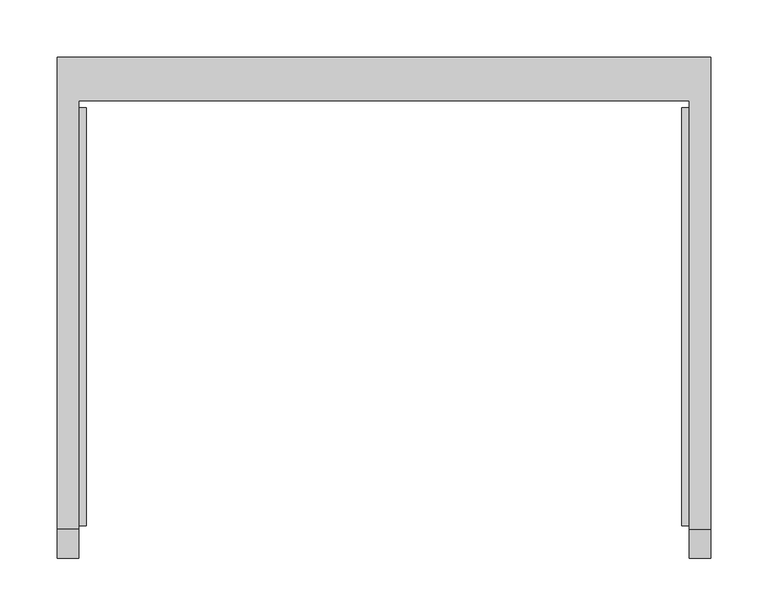
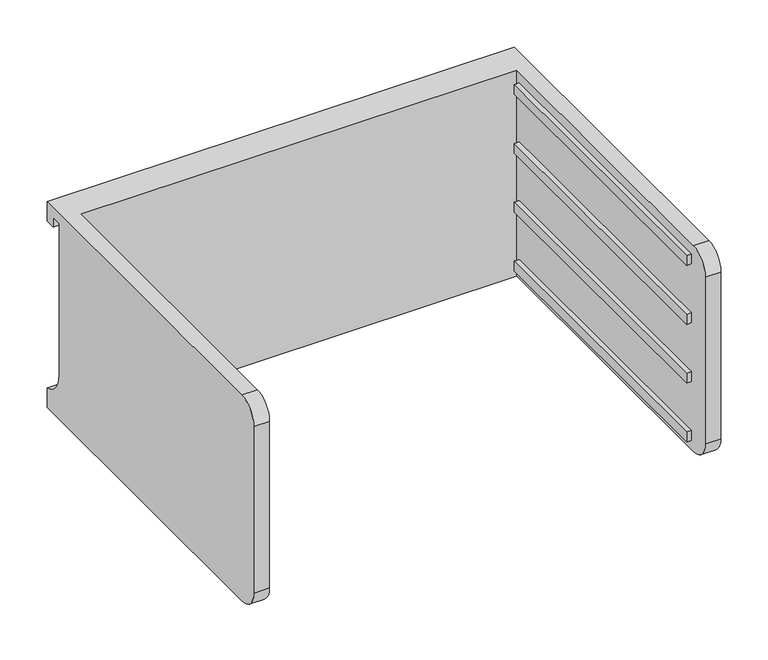
"""IFC4 building model written with IfcOpenShell, lengths in millimetres: furniture geometry."""

from ifc_helpers import new_model, si_unit, frame, origin, place, context, project, spatial, polyline, circle_curve, outline, extrude, source, transform, mapped, element, save
from ifc_brep_helpers import plane_surface, cylinder_surface, revolved_surface, advanced_brep


def furniture_133e992a(model_context):
    return source(origin(), model_context, "Body", "SolidModel", [
        advanced_brep(
        [(-171.7622951, -331.6523397, 476.76562), (-171.7622951, -357.0523397, 451.36562), (-171.7622951, -357.0523397, 235.46562), (-171.7622951, -331.6523397, 210.06562), (-171.7622951, 43.0421197, 210.06562), (-171.7622951, 43.0421197, 476.76562), (-190.8122951, -331.6523397, 210.06562), (-190.8122951, -357.0523397, 235.46562), (-190.8122951, -357.0523397, 451.36562), (-190.8122951, -331.6523397, 476.76562), (-190.8122951, 81.0976603, 476.76562), (-190.8122951, 81.0976603, 451.36562), (-190.8122951, 68.4421197, 451.36562), (-190.8122951, 68.4421197, 464.06562), (-190.8122951, 55.7421197, 464.06562), (-190.8122951, 55.7421197, 268.01064), (-190.8122951, 81.0976603, 235.46562), (-190.8122951, 81.0976603, 210.06562), (380.6877049, 81.0976603, 210.06562), (380.6877049, -331.6523397, 210.06562), (361.6377049, -331.6523397, 210.06562), (361.6377049, 43.0421197, 210.06562), (361.6377049, 43.0421197, 476.76562), (361.6377049, -331.6523397, 476.76562), (380.6877049, -331.6523397, 476.76562), (380.6877049, 81.0976603, 476.76562), (380.6877049, 81.0976603, 235.46562), (380.6877049, 55.7421197, 268.01064), (380.6877049, 55.7421197, 464.06562), (380.6877049, 68.4421197, 464.06562), (380.6877049, 68.4421197, 451.36562), (380.6877049, 81.0976603, 451.36562), (380.6877049, -357.0523397, 451.36562), (380.6877049, -357.0523397, 235.46562), (361.6377049, -357.0523397, 235.46562), (361.6377049, -357.0523397, 451.36562)],
        [
            (0, 1, circle_curve(frame((-171.7622951, -331.6523397, 451.36562), z_axis=(1.0, 0.0, 0.0), x_axis=(0.0, 0.0, 1.0)), 25.4)),
            (1, 2),
            (2, 3, circle_curve(frame((-171.7622951, -331.6523397, 235.46562), z_axis=(1.0, 0.0, 0.0), x_axis=(0.0, 0.0, 1.0)), 25.4)),
            (3, 4),
            (4, 5),
            (5, 0),
            (6, 7, circle_curve(frame((-190.8122951, -331.6523397, 235.46562), z_axis=(-1.0, 0.0, 0.0), x_axis=(0.0, 0.0, 1.0)), 25.4)),
            (7, 8),
            (8, 9, circle_curve(frame((-190.8122951, -331.6523397, 451.36562), z_axis=(-1.0, 0.0, 0.0), x_axis=(0.0, 0.0, 1.0)), 25.4)),
            (9, 10),
            (10, 11),
            (11, 12),
            (12, 13),
            (13, 14),
            (14, 15),
            (15, 16, circle_curve(frame((-190.8122951, 89.3064162, 268.01064), z_axis=(1.0, 0.0, 0.0), x_axis=(0.0, 0.0, 1.0)), 33.5642965)),
            (16, 17),
            (17, 6),
            (0, 9),
            (8, 1),
            (7, 2),
            (6, 3),
            (17, 18),
            (18, 19),
            (19, 20),
            (20, 21),
            (21, 4),
            (5, 22),
            (22, 23),
            (23, 24),
            (24, 25),
            (25, 10),
            (18, 26),
            (26, 27, circle_curve(frame((380.6877049, 89.3064162, 268.01064), z_axis=(-1.0, 0.0, 0.0), x_axis=(0.0, 0.0, 1.0)), 33.5642965)),
            (27, 28),
            (28, 29),
            (29, 30),
            (30, 31),
            (31, 25),
            (24, 32, circle_curve(frame((380.6877049, -331.6523397, 451.36562), z_axis=(1.0, 0.0, 0.0), x_axis=(0.0, 0.0, 1.0)), 25.4)),
            (32, 33),
            (33, 19, circle_curve(frame((380.6877049, -331.6523397, 235.46562), z_axis=(1.0, 0.0, 0.0), x_axis=(0.0, 0.0, 1.0)), 25.4)),
            (16, 26),
            (15, 27),
            (14, 28),
            (13, 29),
            (12, 30),
            (11, 31),
            (21, 22),
            (20, 34, circle_curve(frame((361.6377049, -331.6523397, 235.46562), z_axis=(-1.0, 0.0, 0.0), x_axis=(0.0, 0.0, 1.0)), 25.4)),
            (34, 35),
            (35, 23, circle_curve(frame((361.6377049, -331.6523397, 451.36562), z_axis=(-1.0, 0.0, 0.0), x_axis=(0.0, 0.0, 1.0)), 25.4)),
            (35, 32),
            (34, 33),
        ],
        [
            plane_surface(frame((-171.7622951, -331.6523397, 476.76562), z_axis=(1.0, 0.0, 0.0), x_axis=(0.0, -1.0, 0.0))),
            plane_surface(frame((-190.8122951, -331.6523397, 476.76562), z_axis=(-1.0, 0.0, 0.0), x_axis=(0.0, 1.0, 0.0))),
            cylinder_surface(frame((-190.8122951, -331.6523397, 451.36562), z_axis=(1.0, 0.0, 0.0), x_axis=(0.0, 0.0, 1.0)), 25.4),
            plane_surface(frame((-171.7622951, -357.0523397, 451.36562), z_axis=(0.0, -1.0, 0.0), x_axis=(-1.0, 0.0, 0.0))),
            cylinder_surface(frame((-190.8122951, -331.6523397, 235.46562), z_axis=(1.0, 0.0, 0.0), x_axis=(0.0, 0.0, 1.0)), 25.4),
            plane_surface(frame((-171.7622951, -331.6523397, 210.06562), z_axis=(0.0, 0.0, -1.0), x_axis=(-1.0, 0.0, 0.0))),
            plane_surface(frame((-171.7622951, 43.0421197, 476.76562), z_axis=(0.0, 0.0, 1.0), x_axis=(-1.0, 0.0, 0.0))),
            plane_surface(frame((380.6877049, 81.0976603, 235.46562), z_axis=(1.0, 0.0, 0.0), x_axis=(0.0, 0.0, 1.0))),
            plane_surface(frame((380.6877049, 81.0976603, 210.06562), z_axis=(0.0, 1.0, 0.0), x_axis=(-1.0, 0.0, 0.0))),
            revolved_surface(polyline([(-190.8122951, 89.3064162, 301.57493650000004), (380.68770489999997, 89.3064162, 301.57493650000004)]), (-190.8122951, 89.3064162, 268.01064), (-1.0, 0.0, 0.0)),
            plane_surface(frame((380.6877049, 55.7421197, 268.01064), z_axis=(0.0, 1.0, 0.0), x_axis=(-1.0, 0.0, 0.0))),
            plane_surface(frame((380.6877049, 55.7421197, 464.06562), z_axis=(0.0, 0.0, -1.0), x_axis=(-1.0, 0.0, 0.0))),
            plane_surface(frame((380.6877049, 68.4421197, 464.06562), z_axis=(0.0, -1.0, 0.0), x_axis=(-1.0, 0.0, 0.0))),
            plane_surface(frame((380.6877049, 68.4421197, 451.36562), z_axis=(0.0, 0.0, -1.0), x_axis=(-1.0, 0.0, 0.0))),
            plane_surface(frame((380.6877049, 81.0976603, 451.36562), z_axis=(0.0, 1.0, 0.0), x_axis=(-1.0, 0.0, 0.0))),
            plane_surface(frame((380.6877049, 43.0421197, 476.76562), z_axis=(0.0, -1.0, 0.0), x_axis=(-1.0, 0.0, 0.0))),
            plane_surface(frame((361.6377049, -331.6523397, 476.76562), z_axis=(-1.0, 0.0, 0.0), x_axis=(0.0, 1.0, 0.0))),
            cylinder_surface(frame((361.6377049, -331.6523397, 451.36562), z_axis=(1.0, 0.0, 0.0), x_axis=(0.0, 0.0, 1.0)), 25.4),
            plane_surface(frame((380.6877049, -357.0523397, 451.36562), z_axis=(0.0, -1.0, 0.0), x_axis=(-1.0, 0.0, 0.0))),
            cylinder_surface(frame((361.6377049, -331.6523397, 235.46562), z_axis=(1.0, 0.0, 0.0), x_axis=(0.0, 0.0, 1.0)), 25.4),
        ],
        [
            (0, [[1, 2, 3, 4, 5, 6]]),
            (1, [[7, 8, 9, 10, 11, 12, 13, 14, 15, 16, 17, 18]]),
            (2, [[-1, 19, -9, 20]]),
            (3, [[-2, -20, -8, 21]]),
            (4, [[-3, -21, -7, 22]]),
            (5, [[-4, -22, -18, 23, 24, 25, 26, 27]]),
            (6, [[-6, 28, 29, 30, 31, 32, -10, -19]]),
            (7, [[-24, 33, 34, 35, 36, 37, 38, 39, -31, 40, 41, 42]]),
            (8, [[-33, -23, -17, 43]]),
            (9, [[-34, -43, -16, 44]]),
            (10, [[-35, -44, -15, 45]]),
            (11, [[-36, -45, -14, 46]]),
            (12, [[-37, -46, -13, 47]]),
            (13, [[-38, -47, -12, 48]]),
            (14, [[-39, -48, -11, -32]]),
            (15, [[-5, -27, 49, -28]]),
            (16, [[-29, -49, -26, 50, 51, 52]]),
            (17, [[-40, -30, -52, 53]]),
            (18, [[-41, -53, -51, 54]]),
            (19, [[-42, -54, -50, -25]]),
        ],
    ),
        extrude(outline(polyline([(355.2877049, -328.4773397), (355.2877049, 36.6921197), (361.6377049, 36.6921197), (361.6377049, -328.4773397), (355.2877049, -328.4773397)])), frame((0.0, 0.0, 298.96562), z_axis=(0.0, 0.0, 1.0), x_axis=(1.0, 0.0, 0.0)), (0.0, 0.0, 1.0), 12.7),
        extrude(outline(polyline([(355.2877049, -328.4773397), (355.2877049, 36.6921197), (361.6377049, 36.6921197), (361.6377049, -328.4773397), (355.2877049, -328.4773397)])), frame((0.0, 0.0, 375.16562), z_axis=(0.0, 0.0, 1.0), x_axis=(1.0, 0.0, 0.0)), (0.0, 0.0, 1.0), 12.7),
        extrude(outline(polyline([(355.2877049, -328.4773397), (355.2877049, 36.6921197), (361.6377049, 36.6921197), (361.6377049, -328.4773397), (355.2877049, -328.4773397)])), frame((0.0, 0.0, 451.36562), z_axis=(0.0, 0.0, 1.0), x_axis=(1.0, 0.0, 0.0)), (0.0, 0.0, 1.0), 12.7),
        extrude(outline(polyline([(355.2877049, -328.4773397), (355.2877049, 36.6921197), (361.6377049, 36.6921197), (361.6377049, -328.4773397), (355.2877049, -328.4773397)])), frame((0.0, 0.0, 222.76562), z_axis=(0.0, 0.0, 1.0), x_axis=(1.0, 0.0, 0.0)), (0.0, 0.0, 1.0), 12.7),
        extrude(outline(polyline([(-171.7622951, -328.4773397), (-171.7622951, 36.6921197), (-165.4122951, 36.6921197), (-165.4122951, -328.4773397), (-171.7622951, -328.4773397)])), frame((0.0, 0.0, 298.96562), z_axis=(0.0, 0.0, 1.0), x_axis=(1.0, 0.0, 0.0)), (0.0, 0.0, 1.0), 12.7),
        extrude(outline(polyline([(-171.7622951, -328.4773397), (-171.7622951, 36.6921197), (-165.4122951, 36.6921197), (-165.4122951, -328.4773397), (-171.7622951, -328.4773397)])), frame((0.0, 0.0, 375.16562), z_axis=(0.0, 0.0, 1.0), x_axis=(1.0, 0.0, 0.0)), (0.0, 0.0, 1.0), 12.7),
        extrude(outline(polyline([(-171.7622951, -328.4773397), (-171.7622951, 36.6921197), (-165.4122951, 36.6921197), (-165.4122951, -328.4773397), (-171.7622951, -328.4773397)])), frame((0.0, 0.0, 451.36562), z_axis=(0.0, 0.0, 1.0), x_axis=(1.0, 0.0, 0.0)), (0.0, 0.0, 1.0), 12.7),
        extrude(outline(polyline([(-171.7622951, -328.4773397), (-171.7622951, 36.6921197), (-165.4122951, 36.6921197), (-165.4122951, -328.4773397), (-171.7622951, -328.4773397)])), frame((0.0, 0.0, 222.76562), z_axis=(0.0, 0.0, 1.0), x_axis=(1.0, 0.0, 0.0)), (0.0, 0.0, 1.0), 12.7),
    ])


if __name__ == "__main__":
    model = new_model("IFC4")
    model_context = context("Model", 3, world=origin())
    ifc_project = project(units=[si_unit("LENGTHUNIT", "METRE", prefix="MILLI")], contexts=[model_context])
    site = spatial("IfcSite", under=ifc_project)
    building = spatial("IfcBuilding", under=site)
    placement = place(None, origin())
    furniture_shape = furniture_133e992a(model_context)
    element("IfcFurniture", 1, at=placement, inside=building, context=model_context, shape_type="MappedRepresentation", body=[
        mapped(furniture_shape, transform((0.0, 0.0, 0.0), x_axis=(1.0, 0.0, 0.0), y_axis=(0.0, 1.0, 0.0), z_axis=(0.0, 0.0, 1.0))),
    ])
    save(model, "model.ifc")
